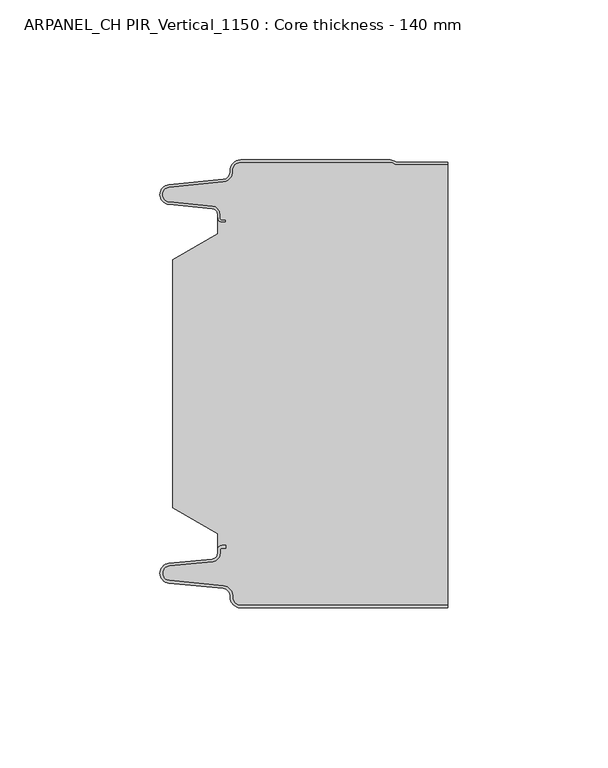
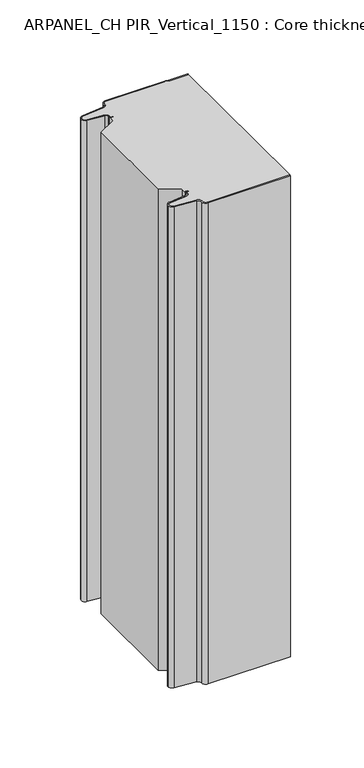
"""IFC4 building model written with IfcOpenShell, lengths in millimetres: plate geometry, ARPANEL_CH PIR_Vertical_1150 : Core thickness - 140 mm."""

from ifc_helpers import new_model, si_unit, frame, origin, place, context, project, spatial, polyline, circle_curve, source, transform, mapped, element, save
from ifc_brep_helpers import plane_surface, cylinder_surface, revolved_surface, advanced_brep


def arpanel_ch_pir_vertical_1150_core_thickness_140_mm_e1c93c82(model_context):
    return source(origin(), model_context, "Body", "AdvancedBrep", [
        advanced_brep(
        [(-19.8000003, -139.9996949, 0.0), (-22.9923632, -136.5787437, 0.0), (-25.2560431, -133.9171154, 0.0), (-42.2115315, -132.2546153, 0.0), (-44.9999998, -129.1776715, 0.0), (-42.2115315, -126.1007278, 0.0), (-28.6195785, -124.7680252, 0.0), (-26.9952277, -122.9766159, 0.0), (-26.9952277, -121.8996949, 0.0), (-25.5952277, -120.4996949, 0.0), (-24.4952277, -120.4996949, 0.0), (-24.4952277, -121.2996949, 0.0), (-25.5952277, -121.2996949, 0.0), (-26.1952277, -121.8996949, 0.0), (-26.1952277, -122.9766159, 0.0), (-28.5415122, -125.5642071, 0.0), (-42.1334652, -126.8969097, 0.0), (-44.1999997, -129.1776715, 0.0), (-42.1334652, -131.4584333, 0.0), (-25.1779767, -133.1209335, 0.0), (-22.2078761, -136.6330399, 0.0), (-19.8000003, -139.1996949, 0.0), (44.9999998, -139.2, 0.0), (44.9999998, -139.9996949, 0.0), (-19.8000003, -139.1996949, 400.0), (-22.1942724, -136.6339815, 400.0), (-25.1779767, -133.1209335, 400.0), (-42.1334652, -131.4584333, 400.0), (-44.1999997, -129.1776715, 400.0), (-42.1334652, -126.8969097, 400.0), (-28.5415122, -125.5642071, 400.0), (-26.1952277, -122.9766159, 400.0), (-26.1952277, -121.8996949, 400.0), (-25.5952277, -121.2996949, 400.0), (-24.4952277, -121.2996949, 400.0), (-24.4952277, -120.4996949, 400.0), (-25.5952277, -120.4996949, 400.0), (-26.9952277, -121.8996949, 400.0), (-26.9952277, -122.9766159, 400.0), (-28.6195785, -124.7680252, 400.0), (-42.2115315, -126.1007278, 400.0), (-44.9999998, -129.1776715, 400.0), (-42.2115315, -132.2546153, 400.0), (-25.2560431, -133.9171154, 400.0), (-23.0059668, -136.5778021, 400.0), (-19.8000003, -139.9996949, 400.0), (44.9999998, -139.9996949, 400.0), (44.9999998, -139.2, 400.0)],
        [
            (0, 1, circle_curve(frame((-19.8000003, -136.7996949, 0.0), z_axis=(0.0, 0.0, -1.0), x_axis=(1.0, 0.0, 0.0)), 3.2)),
            (1, 2, circle_curve(frame((-25.5000003, -136.4051839, 0.0), z_axis=(0.0, 0.0, 1.0), x_axis=(1.0, 0.0, 0.0)), 2.5)),
            (2, 3),
            (3, 4, circle_curve(frame((-41.9100003, -129.1793626, 0.0), z_axis=(0.0, 0.0, -1.0), x_axis=(1.0, 0.0, 0.0)), 3.09)),
            (4, 5, circle_curve(frame((-41.9100003, -129.1759805, 0.0), z_axis=(0.0, 0.0, -1.0), x_axis=(1.0, 0.0, 0.0)), 3.09)),
            (5, 6),
            (6, 7, circle_curve(frame((-28.7952277, -122.9766159, 0.0), z_axis=(0.0, 0.0, 1.0), x_axis=(1.0, 0.0, 0.0)), 1.8)),
            (7, 8),
            (8, 9, circle_curve(frame((-25.5952277, -121.8996949, 0.0), z_axis=(0.0, 0.0, -1.0), x_axis=(1.0, 0.0, 0.0)), 1.4)),
            (9, 10),
            (10, 11),
            (11, 12),
            (12, 13, circle_curve(frame((-25.5952277, -121.8996949, 0.0), z_axis=(0.0, 0.0, 1.0), x_axis=(1.0, 0.0, 0.0)), 0.6)),
            (13, 14),
            (14, 15, circle_curve(frame((-28.7952277, -122.9766159, 0.0), z_axis=(0.0, 0.0, -1.0), x_axis=(1.0, 0.0, 0.0)), 2.6)),
            (15, 16),
            (16, 17, circle_curve(frame((-41.9100003, -129.1759805, 0.0), z_axis=(0.0, 0.0, 1.0), x_axis=(1.0, 0.0, 0.0)), 2.29)),
            (17, 18, circle_curve(frame((-41.9100003, -129.1793626, 0.0), z_axis=(0.0, 0.0, 1.0), x_axis=(1.0, 0.0, 0.0)), 2.29)),
            (18, 19),
            (19, 20, circle_curve(frame((-25.5000003, -136.4051839, 0.0), z_axis=(0.0, 0.0, -1.0), x_axis=(1.0, 0.0, 0.0)), 3.3)),
            (20, 21, circle_curve(frame((-19.8000003, -136.7996949, 0.0), z_axis=(0.0, 0.0, 1.0), x_axis=(1.0, 0.0, 0.0)), 2.4)),
            (21, 22),
            (22, 23),
            (23, 0),
            (24, 25, circle_curve(frame((-19.8000003, -136.7996949, 400.0), z_axis=(0.0, 0.0, -1.0), x_axis=(1.0, 0.0, 0.0)), 2.4)),
            (25, 26, circle_curve(frame((-25.5000003, -136.4051839, 400.0), z_axis=(0.0, 0.0, 1.0), x_axis=(1.0, 0.0, 0.0)), 3.3)),
            (26, 27),
            (27, 28, circle_curve(frame((-41.9100003, -129.1793626, 400.0), z_axis=(0.0, 0.0, -1.0), x_axis=(1.0, 0.0, 0.0)), 2.29)),
            (28, 29, circle_curve(frame((-41.9100003, -129.1759805, 400.0), z_axis=(0.0, 0.0, -1.0), x_axis=(1.0, 0.0, 0.0)), 2.29)),
            (29, 30),
            (30, 31, circle_curve(frame((-28.7952277, -122.9766159, 400.0), z_axis=(0.0, 0.0, 1.0), x_axis=(1.0, 0.0, 0.0)), 2.6)),
            (31, 32),
            (32, 33, circle_curve(frame((-25.5952277, -121.8996949, 400.0), z_axis=(0.0, 0.0, -1.0), x_axis=(1.0, 0.0, 0.0)), 0.6)),
            (33, 34),
            (34, 35),
            (35, 36),
            (36, 37, circle_curve(frame((-25.5952277, -121.8996949, 400.0), z_axis=(0.0, 0.0, 1.0), x_axis=(1.0, 0.0, 0.0)), 1.4)),
            (37, 38),
            (38, 39, circle_curve(frame((-28.7952277, -122.9766159, 400.0), z_axis=(0.0, 0.0, -1.0), x_axis=(1.0, 0.0, 0.0)), 1.8)),
            (39, 40),
            (40, 41, circle_curve(frame((-41.9100003, -129.1759805, 400.0), z_axis=(0.0, 0.0, 1.0), x_axis=(1.0, 0.0, 0.0)), 3.09)),
            (41, 42, circle_curve(frame((-41.9100003, -129.1793626, 400.0), z_axis=(0.0, 0.0, 1.0), x_axis=(1.0, 0.0, 0.0)), 3.09)),
            (42, 43),
            (43, 44, circle_curve(frame((-25.5000003, -136.4051839, 400.0), z_axis=(0.0, 0.0, -1.0), x_axis=(1.0, 0.0, 0.0)), 2.5)),
            (44, 45, circle_curve(frame((-19.8000003, -136.7996949, 400.0), z_axis=(0.0, 0.0, 1.0), x_axis=(1.0, 0.0, 0.0)), 3.2)),
            (45, 46),
            (46, 47),
            (47, 24),
            (21, 24),
            (47, 22),
            (20, 25),
            (19, 26),
            (18, 27),
            (17, 28),
            (16, 29),
            (15, 30),
            (14, 31),
            (13, 32),
            (12, 33),
            (11, 34),
            (10, 35),
            (9, 36),
            (8, 37),
            (7, 38),
            (6, 39),
            (5, 40),
            (4, 41),
            (3, 42),
            (2, 43),
            (1, 44),
            (0, 45),
            (23, 46),
        ],
        [
            plane_surface(frame((-44.9999998, -140.0, 0.0), z_axis=(0.0, 0.0, -1.0), x_axis=(0.0, 1.0, 0.0))),
            plane_surface(frame((-44.9999998, -140.0, 400.0), z_axis=(0.0, 0.0, 1.0), x_axis=(0.0, 1.0, 0.0))),
            plane_surface(frame((-19.8000003, -139.2, 0.0), z_axis=(0.0, 1.0, 0.0), x_axis=(0.0, 0.0, 1.0))),
            revolved_surface(polyline([(-17.400000300000002, -136.7996949, 400.0), (-17.400000300000002, -136.7996949, 0.0)]), (-19.8000003, -136.7996949, 0.0), (0.0, 0.0, 1.0)),
            cylinder_surface(frame((-25.5000003, -136.4051839, 0.0), z_axis=(0.0, 0.0, -1.0), x_axis=(1.0, 0.0, 0.0)), 3.3),
            plane_surface(frame((-42.1334652, -131.4584333, 0.0), z_axis=(0.09758289975914758, 0.9952273999818314, 0.0), x_axis=(0.0, 0.0, 1.0))),
            revolved_surface(polyline([(-39.6200003, -129.1793626, 400.0), (-39.6200003, -129.1793626, 0.0)]), (-41.9100003, -129.1793626, 0.0), (0.0, 0.0, 1.0)),
            revolved_surface(polyline([(-39.6200003, -129.1759805, 400.0), (-39.6200003, -129.1759805, 0.0)]), (-41.9100003, -129.1759805, 0.0), (0.0, 0.0, 1.0)),
            plane_surface(frame((-28.5415122, -125.5642071, 0.0), z_axis=(0.09758289975914383, -0.9952273999818317, 0.0), x_axis=(0.0, 0.0, 1.0))),
            cylinder_surface(frame((-28.7952277, -122.9766159, 0.0), z_axis=(0.0, 0.0, -1.0), x_axis=(1.0, 0.0, 0.0)), 2.6),
            plane_surface(frame((-26.1952277, -121.8996949, 0.0), z_axis=(1.0, 0.0, 0.0), x_axis=(0.0, 0.0, 1.0))),
            revolved_surface(polyline([(-24.995227699999997, -121.8996949, 400.0), (-24.995227699999997, -121.8996949, 0.0)]), (-25.5952277, -121.8996949, 0.0), (0.0, 0.0, 1.0)),
            plane_surface(frame((-24.4952277, -121.2996949, 0.0), z_axis=(0.0, -1.0, 0.0), x_axis=(0.0, 0.0, 1.0))),
            plane_surface(frame((-24.4952277, -120.4996949, 0.0), z_axis=(1.0, 0.0, 0.0), x_axis=(0.0, 0.0, 1.0))),
            plane_surface(frame((-25.5952277, -120.4996949, 0.0), z_axis=(0.0, 1.0, 0.0), x_axis=(0.0, 0.0, 1.0))),
            cylinder_surface(frame((-25.5952277, -121.8996949, 0.0), z_axis=(0.0, 0.0, -1.0), x_axis=(1.0, 0.0, 0.0)), 1.4),
            plane_surface(frame((-26.9952277, -122.9766159, 0.0), z_axis=(-1.0, 0.0, 0.0), x_axis=(0.0, 0.0, 1.0))),
            revolved_surface(polyline([(-26.9952277, -122.9766159, 400.0), (-26.9952277, -122.9766159, 0.0)]), (-28.7952277, -122.9766159, 0.0), (0.0, 0.0, 1.0)),
            plane_surface(frame((-42.2115315, -126.1007278, 0.0), z_axis=(-0.09758289975914387, 0.9952273999818317, 0.0), x_axis=(0.0, 0.0, 1.0))),
            cylinder_surface(frame((-41.9100003, -129.1759805, 0.0), z_axis=(0.0, 0.0, -1.0), x_axis=(1.0, 0.0, 0.0)), 3.09),
            cylinder_surface(frame((-41.9100003, -129.1793626, 0.0), z_axis=(0.0, 0.0, -1.0), x_axis=(1.0, 0.0, 0.0)), 3.09),
            plane_surface(frame((-25.2560431, -133.9171154, 0.0), z_axis=(-0.09758289975914762, -0.9952273999818314, 0.0), x_axis=(0.0, 0.0, 1.0))),
            revolved_surface(polyline([(-23.0000003, -136.4051839, 400.0), (-23.0000003, -136.4051839, 0.0)]), (-25.5000003, -136.4051839, 0.0), (0.0, 0.0, 1.0)),
            cylinder_surface(frame((-19.8000003, -136.7996949, 0.0), z_axis=(0.0, 0.0, -1.0), x_axis=(1.0, 0.0, 0.0)), 3.2),
            plane_surface(frame((1121.009932, -139.9996949, 0.0), z_axis=(0.0, -1.0, 0.0), x_axis=(0.0, 0.0, 1.0))),
            plane_surface(frame((44.9999998, 180.0, 400.0), z_axis=(1.0, 0.0, 0.0), x_axis=(0.0, 0.0, -1.0))),
        ],
        [
            (0, [[1, 2, 3, 4, 5, 6, 7, 8, 9, 10, 11, 12, 13, 14, 15, 16, 17, 18, 19, 20, 21, 22, 23, 24]]),
            (1, [[25, 26, 27, 28, 29, 30, 31, 32, 33, 34, 35, 36, 37, 38, 39, 40, 41, 42, 43, 44, 45, 46, 47, 48]]),
            (2, [[49, -48, 50, -22]]),
            (3, [[-21, 51, -25, -49]]),
            (4, [[-20, 52, -26, -51]]),
            (5, [[-19, 53, -27, -52]]),
            (6, [[-18, 54, -28, -53]]),
            (7, [[-17, 55, -29, -54]]),
            (8, [[-16, 56, -30, -55]]),
            (9, [[-15, 57, -31, -56]]),
            (10, [[-14, 58, -32, -57]]),
            (11, [[-13, 59, -33, -58]]),
            (12, [[-12, 60, -34, -59]]),
            (13, [[-11, 61, -35, -60]]),
            (14, [[-10, 62, -36, -61]]),
            (15, [[-9, 63, -37, -62]]),
            (16, [[-8, 64, -38, -63]]),
            (17, [[-7, 65, -39, -64]]),
            (18, [[-6, 66, -40, -65]]),
            (19, [[-5, 67, -41, -66]]),
            (20, [[-4, 68, -42, -67]]),
            (21, [[-3, 69, -43, -68]]),
            (22, [[-2, 70, -44, -69]]),
            (23, [[-1, 71, -45, -70]]),
            (24, [[-71, -24, 72, -46]]),
            (25, [[-23, -50, -47, -72]]),
        ],
    ),
        advanced_brep(
        [(-26.9952277, -23.1062917, 400.0), (-41.0446509, -31.1628062, 400.0), (-41.0446509, -108.7531937, 400.0), (-26.9952277, -116.8937083, 400.0), (-26.9952277, -120.4996949, 400.0), (-26.9952277, -121.8996949, 400.0), (-25.5952277, -120.4996949, 400.0), (-24.4952277, -120.4996949, 400.0), (-24.4952277, -121.2996949, 400.0), (-25.5952277, -121.2996949, 400.0), (-26.1952277, -121.8996949, 400.0), (-26.1952277, -122.9766159, 400.0), (-28.5415122, -125.5642071, 400.0), (-42.1334652, -126.8969097, 400.0), (-44.1999997, -129.1776715, 400.0), (-42.1334652, -131.4584333, 400.0), (-25.1779767, -133.1209335, 400.0), (-22.2078761, -136.6330399, 400.0), (-19.8000003, -139.1996949, 400.0), (44.9999998, -139.2, 400.0), (44.9999998, -1.5003051, 400.0), (29.4172165, -1.5003051, 400.0), (27.9978051, -1.0971009, 400.0), (26.9454197, -0.8, 400.0), (-19.8000003, -0.8, 400.0), (-22.1942724, -3.3660185, 400.0), (-25.1779767, -6.8790665, 400.0), (-42.1334652, -8.5415667, 400.0), (-44.1999997, -10.8223285, 400.0), (-42.1334652, -13.1030903, 400.0), (-28.5415122, -14.4357929, 400.0), (-26.1952277, -17.0233841, 400.0), (-26.1952277, -18.1003051, 400.0), (-25.5952277, -18.7003051, 400.0), (-24.4952277, -18.7003051, 400.0), (-24.4952277, -19.5003051, 400.0), (-25.5952277, -19.5003051, 400.0), (-26.9952277, -18.1003051, 400.0), (-26.9952277, -19.5003051, 400.0), (-26.9952277, -116.8937083, 0.0), (-41.0446509, -108.7531937, 0.0), (-41.0446509, -31.1628062, 0.0), (-26.9952277, -23.1062917, 0.0), (-26.9952277, -19.5003051, 0.0), (-26.9952277, -18.1003051, 0.0), (-25.5952277, -19.5003051, 0.0), (-24.4952277, -19.5003051, 0.0), (-24.4952277, -18.7003051, 0.0), (-25.5952277, -18.7003051, 0.0), (-26.1952277, -18.1003051, 0.0), (-26.1952277, -17.0233841, 0.0), (-28.5415122, -14.4357929, 0.0), (-42.1334652, -13.1030903, 0.0), (-44.1999997, -10.8223285, 0.0), (-42.1334652, -8.5415667, 0.0), (-25.1779767, -6.8790665, 0.0), (-22.2078761, -3.3669601, 0.0), (-19.8000003, -0.8003051, 0.0), (26.9454197, -0.8, 0.0), (27.9968355, -1.0986697, 0.0), (29.4172165, -1.5003051, 0.0), (44.9999998, -1.5003051, 0.0), (44.9999998, -139.2, 0.0), (-19.8000003, -139.2, 0.0), (-22.1942724, -136.6339815, 0.0), (-25.1779767, -133.1209335, 0.0), (-42.1334652, -131.4584333, 0.0), (-44.1999997, -129.1776715, 0.0), (-42.1334652, -126.8969097, 0.0), (-28.5415122, -125.5642071, 0.0), (-26.1952277, -122.9766159, 0.0), (-26.1952277, -121.8996949, 0.0), (-25.5952277, -121.2996949, 0.0), (-24.4952277, -121.2996949, 0.0), (-24.4952277, -120.4996949, 0.0), (-25.5952277, -120.4996949, 0.0), (-26.9952277, -121.8996949, 0.0), (-26.9952277, -120.4996949, 0.0)],
        [
            (0, 1),
            (1, 2),
            (2, 3),
            (3, 4),
            (4, 5),
            (5, 6, circle_curve(frame((-25.5952277, -121.8996949, 400.0), z_axis=(0.0, 0.0, -1.0), x_axis=(1.0, 0.0, 0.0)), 1.4)),
            (6, 7),
            (7, 8),
            (8, 9),
            (9, 10, circle_curve(frame((-25.5952277, -121.8996949, 400.0), z_axis=(0.0, 0.0, 1.0), x_axis=(1.0, 0.0, 0.0)), 0.6)),
            (10, 11),
            (11, 12, circle_curve(frame((-28.7952277, -122.9766159, 400.0), z_axis=(0.0, 0.0, -1.0), x_axis=(1.0, 0.0, 0.0)), 2.6)),
            (12, 13),
            (13, 14, circle_curve(frame((-41.9100003, -129.1759805, 400.0), z_axis=(0.0, 0.0, 1.0), x_axis=(1.0, 0.0, 0.0)), 2.29)),
            (14, 15, circle_curve(frame((-41.9100003, -129.1793626, 400.0), z_axis=(0.0, 0.0, 1.0), x_axis=(1.0, 0.0, 0.0)), 2.29)),
            (15, 16),
            (16, 17, circle_curve(frame((-25.5000003, -136.4051839, 400.0), z_axis=(0.0, 0.0, -1.0), x_axis=(1.0, 0.0, 0.0)), 3.3)),
            (17, 18, circle_curve(frame((-19.8000003, -136.7996949, 400.0), z_axis=(0.0, 0.0, 1.0), x_axis=(1.0, 0.0, 0.0)), 2.4)),
            (18, 19),
            (19, 20),
            (20, 21),
            (21, 22, circle_curve(frame((29.4172165, 1.1996949, 400.0), z_axis=(0.0, 0.0, -1.0), x_axis=(1.0, 0.0, 0.0)), 2.7)),
            (22, 23, circle_curve(frame((26.9454197, -2.8, 400.0), z_axis=(0.0, 0.0, 1.0), x_axis=(1.0, 0.0, 0.0)), 2.0)),
            (23, 24),
            (24, 25, circle_curve(frame((-19.8000003, -3.2003051, 400.0), z_axis=(0.0, 0.0, 1.0), x_axis=(1.0, 0.0, 0.0)), 2.4)),
            (25, 26, circle_curve(frame((-25.5000003, -3.5948161, 400.0), z_axis=(0.0, 0.0, -1.0), x_axis=(1.0, 0.0, 0.0)), 3.3)),
            (26, 27),
            (27, 28, circle_curve(frame((-41.9100003, -10.8206374, 400.0), z_axis=(0.0, 0.0, 1.0), x_axis=(1.0, 0.0, 0.0)), 2.29)),
            (28, 29, circle_curve(frame((-41.9100003, -10.8240195, 400.0), z_axis=(0.0, 0.0, 1.0), x_axis=(1.0, 0.0, 0.0)), 2.29)),
            (29, 30),
            (30, 31, circle_curve(frame((-28.7952277, -17.0233841, 400.0), z_axis=(0.0, 0.0, -1.0), x_axis=(1.0, 0.0, 0.0)), 2.6)),
            (31, 32),
            (32, 33, circle_curve(frame((-25.5952277, -18.1003051, 400.0), z_axis=(0.0, 0.0, 1.0), x_axis=(1.0, 0.0, 0.0)), 0.6)),
            (33, 34),
            (34, 35),
            (35, 36),
            (36, 37, circle_curve(frame((-25.5952277, -18.1003051, 400.0), z_axis=(0.0, 0.0, -1.0), x_axis=(1.0, 0.0, 0.0)), 1.4)),
            (37, 38),
            (38, 0),
            (39, 40),
            (40, 41),
            (41, 42),
            (42, 43),
            (43, 44),
            (44, 45, circle_curve(frame((-25.5952277, -18.1003051, 0.0), z_axis=(0.0, 0.0, 1.0), x_axis=(1.0, 0.0, 0.0)), 1.4)),
            (45, 46),
            (46, 47),
            (47, 48),
            (48, 49, circle_curve(frame((-25.5952277, -18.1003051, 0.0), z_axis=(0.0, 0.0, -1.0), x_axis=(1.0, 0.0, 0.0)), 0.6)),
            (49, 50),
            (50, 51, circle_curve(frame((-28.7952277, -17.0233841, 0.0), z_axis=(0.0, 0.0, 1.0), x_axis=(1.0, 0.0, 0.0)), 2.6)),
            (51, 52),
            (52, 53, circle_curve(frame((-41.9100003, -10.8240195, 0.0), z_axis=(0.0, 0.0, -1.0), x_axis=(1.0, 0.0, 0.0)), 2.29)),
            (53, 54, circle_curve(frame((-41.9100003, -10.8206374, 0.0), z_axis=(0.0, 0.0, -1.0), x_axis=(1.0, 0.0, 0.0)), 2.29)),
            (54, 55),
            (55, 56, circle_curve(frame((-25.5000003, -3.5948161, 0.0), z_axis=(0.0, 0.0, 1.0), x_axis=(1.0, 0.0, 0.0)), 3.3)),
            (56, 57, circle_curve(frame((-19.8000003, -3.2003051, 0.0), z_axis=(0.0, 0.0, -1.0), x_axis=(1.0, 0.0, 0.0)), 2.4)),
            (57, 58),
            (58, 59, circle_curve(frame((26.9454197, -2.8, 0.0), z_axis=(0.0, 0.0, -1.0), x_axis=(1.0, 0.0, 0.0)), 2.0)),
            (59, 60, circle_curve(frame((29.4172165, 1.1996949, 0.0), z_axis=(0.0, 0.0, 1.0), x_axis=(1.0, 0.0, 0.0)), 2.7)),
            (60, 61),
            (61, 62),
            (62, 63),
            (63, 64, circle_curve(frame((-19.8000003, -136.7996949, 0.0), z_axis=(0.0, 0.0, -1.0), x_axis=(1.0, 0.0, 0.0)), 2.4)),
            (64, 65, circle_curve(frame((-25.5000003, -136.4051839, 0.0), z_axis=(0.0, 0.0, 1.0), x_axis=(1.0, 0.0, 0.0)), 3.3)),
            (65, 66),
            (66, 67, circle_curve(frame((-41.9100003, -129.1793626, 0.0), z_axis=(0.0, 0.0, -1.0), x_axis=(1.0, 0.0, 0.0)), 2.29)),
            (67, 68, circle_curve(frame((-41.9100003, -129.1759805, 0.0), z_axis=(0.0, 0.0, -1.0), x_axis=(1.0, 0.0, 0.0)), 2.29)),
            (68, 69),
            (69, 70, circle_curve(frame((-28.7952277, -122.9766159, 0.0), z_axis=(0.0, 0.0, 1.0), x_axis=(1.0, 0.0, 0.0)), 2.6)),
            (70, 71),
            (71, 72, circle_curve(frame((-25.5952277, -121.8996949, 0.0), z_axis=(0.0, 0.0, -1.0), x_axis=(1.0, 0.0, 0.0)), 0.6)),
            (72, 73),
            (73, 74),
            (74, 75),
            (75, 76, circle_curve(frame((-25.5952277, -121.8996949, 0.0), z_axis=(0.0, 0.0, 1.0), x_axis=(1.0, 0.0, 0.0)), 1.4)),
            (76, 77),
            (77, 39),
            (42, 0),
            (37, 44),
            (1, 41),
            (40, 2),
            (39, 3),
            (76, 5),
            (18, 63),
            (62, 19),
            (17, 64),
            (16, 65),
            (15, 66),
            (14, 67),
            (13, 68),
            (12, 69),
            (11, 70),
            (10, 71),
            (9, 72),
            (8, 73),
            (7, 74),
            (6, 75),
            (57, 24),
            (23, 58),
            (22, 59),
            (21, 60),
            (20, 61),
            (36, 45),
            (35, 46),
            (34, 47),
            (33, 48),
            (32, 49),
            (31, 50),
            (30, 51),
            (29, 52),
            (28, 53),
            (27, 54),
            (26, 55),
            (25, 56),
        ],
        [
            plane_surface(frame((-44.9999998, 0.0, 400.0), z_axis=(0.0, 0.0, 1.0), x_axis=(0.0, -1.0, 0.0))),
            plane_surface(frame((-44.9999998, 0.0, 0.0), z_axis=(0.0, 0.0, -1.0), x_axis=(0.0, -1.0, 0.0))),
            plane_surface(frame((-26.9952277, -17.0229218, 400.0), z_axis=(-1.0, 0.0, 0.0), x_axis=(0.0, 0.0, -1.0))),
            plane_surface(frame((-41.0446509, -31.1628062, 400.0), z_axis=(-1.0, 0.0, 0.0), x_axis=(0.0, 0.0, -1.0))),
            plane_surface(frame((-26.9952277, -23.1062917, 400.0), z_axis=(-0.4974543664933155, 0.8674901459133322, 0.0), x_axis=(0.0, 0.0, -1.0))),
            plane_surface(frame((-41.0446509, -108.7531937, 400.0), z_axis=(-0.5013424225369615, -0.8652489672717159, 0.0), x_axis=(0.0, 0.0, -1.0))),
            plane_surface(frame((-26.9952277, -116.8937083, 400.0), z_axis=(-1.0, 0.0, 0.0), x_axis=(0.0, 0.0, -1.0))),
            plane_surface(frame((1121.009932, -139.2, 530.0), z_axis=(0.0, -1.0, 0.0), x_axis=(0.0, 0.0, -1.0))),
            cylinder_surface(frame((-19.8000003, -136.7996949, 530.0), z_axis=(0.0, 0.0, -1.0), x_axis=(1.0, 0.0, 0.0)), 2.4),
            revolved_surface(polyline([(-22.2000003, -136.4051839, 400.0), (-22.2000003, -136.4051839, 0.0)]), (-25.5000003, -136.4051839, 530.0), (0.0, 0.0, 1.0)),
            plane_surface(frame((-25.1779767, -133.1209335, 530.0), z_axis=(-0.09758289975914758, -0.9952273999818314, 0.0), x_axis=(0.0, 0.0, -1.0))),
            cylinder_surface(frame((-41.9100003, -129.1793626, 530.0), z_axis=(0.0, 0.0, -1.0), x_axis=(1.0, 0.0, 0.0)), 2.29),
            cylinder_surface(frame((-41.9100003, -129.1759805, 530.0), z_axis=(0.0, 0.0, -1.0), x_axis=(1.0, 0.0, 0.0)), 2.29),
            plane_surface(frame((-42.1334652, -126.8969097, 530.0), z_axis=(-0.09758289975914383, 0.9952273999818317, 0.0), x_axis=(0.0, 0.0, -1.0))),
            revolved_surface(polyline([(-26.1952277, -122.9766159, 400.0), (-26.1952277, -122.9766159, 0.0)]), (-28.7952277, -122.9766159, 530.0), (0.0, 0.0, 1.0)),
            plane_surface(frame((-26.1952277, -122.9766159, 530.0), z_axis=(-1.0, 0.0, 0.0), x_axis=(0.0, 0.0, -1.0))),
            cylinder_surface(frame((-25.5952277, -121.8996949, 530.0), z_axis=(0.0, 0.0, -1.0), x_axis=(1.0, 0.0, 0.0)), 0.6),
            plane_surface(frame((-25.5952277, -121.2996949, 530.0), z_axis=(0.0, 1.0, 0.0), x_axis=(0.0, 0.0, -1.0))),
            plane_surface(frame((-24.4952277, -121.2996949, 530.0), z_axis=(-1.0, 0.0, 0.0), x_axis=(0.0, 0.0, -1.0))),
            plane_surface(frame((-24.4952277, -120.4996949, 530.0), z_axis=(0.0, -1.0, 0.0), x_axis=(0.0, 0.0, -1.0))),
            revolved_surface(polyline([(-24.1952277, -121.8996949, 400.0), (-24.1952277, -121.8996949, 0.0)]), (-25.5952277, -121.8996949, 530.0), (0.0, 0.0, 1.0)),
            plane_surface(frame((-19.8000003, -0.8, 530.0), z_axis=(0.0, 1.0, 0.0), x_axis=(0.0, 0.0, -1.0))),
            cylinder_surface(frame((26.9454197, -2.8, 530.0), z_axis=(0.0, 0.0, -1.0), x_axis=(1.0, 0.0, 0.0)), 2.0),
            revolved_surface(polyline([(32.1172165, 1.1996949, 400.0), (32.1172165, 1.1996949, 0.0)]), (29.4172165, 1.1996949, 530.0), (0.0, 0.0, 1.0)),
            plane_surface(frame((29.4172165, -1.5003051, 530.0), z_axis=(0.0, 1.0, 0.0), x_axis=(0.0, 0.0, -1.0))),
            revolved_surface(polyline([(-24.1952277, -18.1003051, 400.0), (-24.1952277, -18.1003051, 0.0)]), (-25.5952277, -18.1003051, 530.0), (0.0, 0.0, 1.0)),
            plane_surface(frame((-25.5952277, -19.5003051, 530.0), z_axis=(0.0, 1.0, 0.0), x_axis=(0.0, 0.0, -1.0))),
            plane_surface(frame((-24.4952277, -19.5003051, 530.0), z_axis=(-1.0, 0.0, 0.0), x_axis=(0.0, 0.0, -1.0))),
            plane_surface(frame((-24.4952277, -18.7003051, 530.0), z_axis=(0.0, -1.0, 0.0), x_axis=(0.0, 0.0, -1.0))),
            cylinder_surface(frame((-25.5952277, -18.1003051, 530.0), z_axis=(0.0, 0.0, -1.0), x_axis=(1.0, 0.0, 0.0)), 0.6),
            plane_surface(frame((-26.1952277, -18.1003051, 530.0), z_axis=(-1.0, 0.0, 0.0), x_axis=(0.0, 0.0, -1.0))),
            revolved_surface(polyline([(-26.1952277, -17.0233841, 400.0), (-26.1952277, -17.0233841, 0.0)]), (-28.7952277, -17.0233841, 530.0), (0.0, 0.0, 1.0)),
            plane_surface(frame((-28.5415122, -14.4357929, 530.0), z_axis=(-0.09758289975914705, -0.9952273999818314, 0.0), x_axis=(0.0, 0.0, -1.0))),
            cylinder_surface(frame((-41.9100003, -10.8240195, 530.0), z_axis=(0.0, 0.0, -1.0), x_axis=(1.0, 0.0, 0.0)), 2.29),
            cylinder_surface(frame((-41.9100003, -10.8206374, 530.0), z_axis=(0.0, 0.0, -1.0), x_axis=(1.0, 0.0, 0.0)), 2.29),
            plane_surface(frame((-42.1334652, -8.5415667, 530.0), z_axis=(-0.09758289975914436, 0.9952273999818317, 0.0), x_axis=(0.0, 0.0, -1.0))),
            revolved_surface(polyline([(-22.2000003, -3.5948161, 400.0), (-22.2000003, -3.5948161, 0.0)]), (-25.5000003, -3.5948161, 530.0), (0.0, 0.0, 1.0)),
            cylinder_surface(frame((-19.8000003, -3.2003051, 530.0), z_axis=(0.0, 0.0, -1.0), x_axis=(1.0, 0.0, 0.0)), 2.4),
            plane_surface(frame((44.9999998, 180.0, 400.0), z_axis=(1.0, 0.0, 0.0), x_axis=(0.0, 0.0, -1.0))),
        ],
        [
            (0, [[1, 2, 3, 4, 5, 6, 7, 8, 9, 10, 11, 12, 13, 14, 15, 16, 17, 18, 19, 20, 21, 22, 23, 24, 25, 26, 27, 28, 29, 30, 31, 32, 33, 34, 35, 36, 37, 38, 39]]),
            (1, [[40, 41, 42, 43, 44, 45, 46, 47, 48, 49, 50, 51, 52, 53, 54, 55, 56, 57, 58, 59, 60, 61, 62, 63, 64, 65, 66, 67, 68, 69, 70, 71, 72, 73, 74, 75, 76, 77, 78]]),
            (2, [[79, -39, -38, 80, -44, -43]]),
            (3, [[-2, 81, -41, 82]]),
            (4, [[-1, -79, -42, -81]]),
            (5, [[-3, -82, -40, 83]]),
            (6, [[-83, -78, -77, 84, -5, -4]]),
            (7, [[85, -63, 86, -19]]),
            (8, [[-85, -18, 87, -64]]),
            (9, [[-87, -17, 88, -65]]),
            (10, [[-88, -16, 89, -66]]),
            (11, [[-89, -15, 90, -67]]),
            (12, [[-90, -14, 91, -68]]),
            (13, [[-91, -13, 92, -69]]),
            (14, [[-92, -12, 93, -70]]),
            (15, [[-93, -11, 94, -71]]),
            (16, [[-94, -10, 95, -72]]),
            (17, [[-95, -9, 96, -73]]),
            (18, [[-96, -8, 97, -74]]),
            (19, [[-97, -7, 98, -75]]),
            (20, [[-98, -6, -84, -76]]),
            (21, [[99, -24, 100, -58]]),
            (22, [[-100, -23, 101, -59]]),
            (23, [[-101, -22, 102, -60]]),
            (24, [[-102, -21, 103, -61]]),
            (25, [[104, -45, -80, -37]]),
            (26, [[-104, -36, 105, -46]]),
            (27, [[-105, -35, 106, -47]]),
            (28, [[-106, -34, 107, -48]]),
            (29, [[-107, -33, 108, -49]]),
            (30, [[-108, -32, 109, -50]]),
            (31, [[-109, -31, 110, -51]]),
            (32, [[-110, -30, 111, -52]]),
            (33, [[-111, -29, 112, -53]]),
            (34, [[-112, -28, 113, -54]]),
            (35, [[-113, -27, 114, -55]]),
            (36, [[-114, -26, 115, -56]]),
            (37, [[-99, -57, -115, -25]]),
            (38, [[-86, -62, -103, -20]]),
        ],
    ),
        advanced_brep(
        [(27.9968355, -1.0986697, 0.0), (26.9454197, -0.8, 0.0), (-19.8000003, -0.8, 0.0), (-22.1942724, -3.3660185, 0.0), (-25.1779767, -6.8790665, 0.0), (-42.1334652, -8.5415667, 0.0), (-44.1999997, -10.8223285, 0.0), (-42.1334652, -13.1030903, 0.0), (-28.5415122, -14.4357929, 0.0), (-26.1952277, -17.0233841, 0.0), (-26.1952277, -18.1003051, 0.0), (-25.5952277, -18.7003051, 0.0), (-24.4952277, -18.7003051, 0.0), (-24.4952277, -19.5003051, 0.0), (-25.5952277, -19.5003051, 0.0), (-26.9952277, -18.1003051, 0.0), (-26.9952277, -17.0233841, 0.0), (-28.6195785, -15.2319748, 0.0), (-42.2115315, -13.8992722, 0.0), (-44.9999998, -10.8223285, 0.0), (-42.2115315, -7.7453847, 0.0), (-25.2560431, -6.0828846, 0.0), (-23.0059668, -3.4221979, 0.0), (-19.8000003, -0.0003051, 0.0), (26.9454197, -0.0003051, 0.0), (28.3647528, -0.4034608, 0.0), (29.4172165, -0.7003051, 0.0), (44.9999998, -0.7003051, 0.0), (44.9999998, -1.5003051, 0.0), (29.4172165, -1.5003051, 0.0), (27.9978051, -1.0971009, 400.0), (29.4172165, -1.5003051, 400.0), (44.9999998, -1.5003051, 400.0), (44.9999998, -0.7003051, 400.0), (29.4172165, -0.7003051, 400.0), (28.3658586, -0.4016712, 400.0), (26.9454197, -0.0003051, 400.0), (-19.8000003, -0.0003051, 400.0), (-22.9923632, -3.4212563, 400.0), (-25.2560431, -6.0828846, 400.0), (-42.2115315, -7.7453847, 400.0), (-44.9999998, -10.8223285, 400.0), (-42.2115315, -13.8992722, 400.0), (-28.6195785, -15.2319748, 400.0), (-26.9952277, -17.0233841, 400.0), (-26.9952277, -18.1003051, 400.0), (-25.5952277, -19.5003051, 400.0), (-24.4952277, -19.5003051, 400.0), (-24.4952277, -18.7003051, 400.0), (-25.5952277, -18.7003051, 400.0), (-26.1952277, -18.1003051, 400.0), (-26.1952277, -17.0233841, 400.0), (-28.5415122, -14.4357929, 400.0), (-42.1334652, -13.1030903, 400.0), (-44.1999997, -10.8223285, 400.0), (-42.1334652, -8.5415667, 400.0), (-25.1779767, -6.8790665, 400.0), (-22.2078761, -3.3669601, 400.0), (-19.8000003, -0.8003051, 400.0), (26.9454197, -0.8, 400.0)],
        [
            (0, 1, circle_curve(frame((26.9454197, -2.8, 0.0), z_axis=(0.0, 0.0, 1.0), x_axis=(1.0, 0.0, 0.0)), 2.0)),
            (1, 2),
            (2, 3, circle_curve(frame((-19.8000003, -3.2003051, 0.0), z_axis=(0.0, 0.0, 1.0), x_axis=(1.0, 0.0, 0.0)), 2.4)),
            (3, 4, circle_curve(frame((-25.5000003, -3.5948161, 0.0), z_axis=(0.0, 0.0, -1.0), x_axis=(1.0, 0.0, 0.0)), 3.3)),
            (4, 5),
            (5, 6, circle_curve(frame((-41.9100003, -10.8206374, 0.0), z_axis=(0.0, 0.0, 1.0), x_axis=(1.0, 0.0, 0.0)), 2.29)),
            (6, 7, circle_curve(frame((-41.9100003, -10.8240195, 0.0), z_axis=(0.0, 0.0, 1.0), x_axis=(1.0, 0.0, 0.0)), 2.29)),
            (7, 8),
            (8, 9, circle_curve(frame((-28.7952277, -17.0233841, 0.0), z_axis=(0.0, 0.0, -1.0), x_axis=(1.0, 0.0, 0.0)), 2.6)),
            (9, 10),
            (10, 11, circle_curve(frame((-25.5952277, -18.1003051, 0.0), z_axis=(0.0, 0.0, 1.0), x_axis=(1.0, 0.0, 0.0)), 0.6)),
            (11, 12),
            (12, 13),
            (13, 14),
            (14, 15, circle_curve(frame((-25.5952277, -18.1003051, 0.0), z_axis=(0.0, 0.0, -1.0), x_axis=(1.0, 0.0, 0.0)), 1.4)),
            (15, 16),
            (16, 17, circle_curve(frame((-28.7952277, -17.0233841, 0.0), z_axis=(0.0, 0.0, 1.0), x_axis=(1.0, 0.0, 0.0)), 1.8)),
            (17, 18),
            (18, 19, circle_curve(frame((-41.9100003, -10.8240195, 0.0), z_axis=(0.0, 0.0, -1.0), x_axis=(1.0, 0.0, 0.0)), 3.09)),
            (19, 20, circle_curve(frame((-41.9100003, -10.8206374, 0.0), z_axis=(0.0, 0.0, -1.0), x_axis=(1.0, 0.0, 0.0)), 3.09)),
            (20, 21),
            (21, 22, circle_curve(frame((-25.5000003, -3.5948161, 0.0), z_axis=(0.0, 0.0, 1.0), x_axis=(1.0, 0.0, 0.0)), 2.5)),
            (22, 23, circle_curve(frame((-19.8000003, -3.2003051, 0.0), z_axis=(0.0, 0.0, -1.0), x_axis=(1.0, 0.0, 0.0)), 3.2)),
            (23, 24),
            (24, 25, circle_curve(frame((26.9454197, -2.7003051, 0.0), z_axis=(0.0, 0.0, -1.0), x_axis=(1.0, 0.0, 0.0)), 2.7)),
            (25, 26, circle_curve(frame((29.4172165, 1.2996949, 0.0), z_axis=(0.0, 0.0, 1.0), x_axis=(1.0, 0.0, 0.0)), 2.0)),
            (26, 27),
            (27, 28),
            (28, 29),
            (29, 0, circle_curve(frame((29.4172165, 1.1996949, 0.0), z_axis=(0.0, 0.0, -1.0), x_axis=(1.0, 0.0, 0.0)), 2.7)),
            (30, 31, circle_curve(frame((29.4172165, 1.1996949, 400.0), z_axis=(0.0, 0.0, 1.0), x_axis=(1.0, 0.0, 0.0)), 2.7)),
            (31, 32),
            (32, 33),
            (33, 34),
            (34, 35, circle_curve(frame((29.4172165, 1.2996949, 400.0), z_axis=(0.0, 0.0, -1.0), x_axis=(1.0, 0.0, 0.0)), 2.0)),
            (35, 36, circle_curve(frame((26.9454197, -2.7003051, 400.0), z_axis=(0.0, 0.0, 1.0), x_axis=(1.0, 0.0, 0.0)), 2.7)),
            (36, 37),
            (37, 38, circle_curve(frame((-19.8000003, -3.2003051, 400.0), z_axis=(0.0, 0.0, 1.0), x_axis=(1.0, 0.0, 0.0)), 3.2)),
            (38, 39, circle_curve(frame((-25.5000003, -3.5948161, 400.0), z_axis=(0.0, 0.0, -1.0), x_axis=(1.0, 0.0, 0.0)), 2.5)),
            (39, 40),
            (40, 41, circle_curve(frame((-41.9100003, -10.8206374, 400.0), z_axis=(0.0, 0.0, 1.0), x_axis=(1.0, 0.0, 0.0)), 3.09)),
            (41, 42, circle_curve(frame((-41.9100003, -10.8240195, 400.0), z_axis=(0.0, 0.0, 1.0), x_axis=(1.0, 0.0, 0.0)), 3.09)),
            (42, 43),
            (43, 44, circle_curve(frame((-28.7952277, -17.0233841, 400.0), z_axis=(0.0, 0.0, -1.0), x_axis=(1.0, 0.0, 0.0)), 1.8)),
            (44, 45),
            (45, 46, circle_curve(frame((-25.5952277, -18.1003051, 400.0), z_axis=(0.0, 0.0, 1.0), x_axis=(1.0, 0.0, 0.0)), 1.4)),
            (46, 47),
            (47, 48),
            (48, 49),
            (49, 50, circle_curve(frame((-25.5952277, -18.1003051, 400.0), z_axis=(0.0, 0.0, -1.0), x_axis=(1.0, 0.0, 0.0)), 0.6)),
            (50, 51),
            (51, 52, circle_curve(frame((-28.7952277, -17.0233841, 400.0), z_axis=(0.0, 0.0, 1.0), x_axis=(1.0, 0.0, 0.0)), 2.6)),
            (52, 53),
            (53, 54, circle_curve(frame((-41.9100003, -10.8240195, 400.0), z_axis=(0.0, 0.0, -1.0), x_axis=(1.0, 0.0, 0.0)), 2.29)),
            (54, 55, circle_curve(frame((-41.9100003, -10.8206374, 400.0), z_axis=(0.0, 0.0, -1.0), x_axis=(1.0, 0.0, 0.0)), 2.29)),
            (55, 56),
            (56, 57, circle_curve(frame((-25.5000003, -3.5948161, 400.0), z_axis=(0.0, 0.0, 1.0), x_axis=(1.0, 0.0, 0.0)), 3.3)),
            (57, 58, circle_curve(frame((-19.8000003, -3.2003051, 400.0), z_axis=(0.0, 0.0, -1.0), x_axis=(1.0, 0.0, 0.0)), 2.4)),
            (58, 59),
            (59, 30, circle_curve(frame((26.9454197, -2.8, 400.0), z_axis=(0.0, 0.0, -1.0), x_axis=(1.0, 0.0, 0.0)), 2.0)),
            (0, 30),
            (59, 1),
            (58, 2),
            (57, 3),
            (56, 4),
            (55, 5),
            (54, 6),
            (53, 7),
            (52, 8),
            (51, 9),
            (50, 10),
            (49, 11),
            (48, 12),
            (47, 13),
            (46, 14),
            (45, 15),
            (44, 16),
            (43, 17),
            (42, 18),
            (41, 19),
            (40, 20),
            (39, 21),
            (38, 22),
            (37, 23),
            (36, 24),
            (35, 25),
            (34, 26),
            (33, 27),
            (31, 29),
            (28, 32),
        ],
        [
            plane_surface(frame((-44.9999998, 0.0, 0.0), z_axis=(0.0, 0.0, -1.0), x_axis=(0.0, -1.0, 0.0))),
            plane_surface(frame((-44.9999998, 0.0, 400.0), z_axis=(0.0, 0.0, 1.0), x_axis=(0.0, -1.0, 0.0))),
            revolved_surface(polyline([(28.9454197, -2.8, 400.0), (28.9454197, -2.8, 0.0)]), (26.9454197, -2.8, 0.0), (0.0, 0.0, 1.0)),
            plane_surface(frame((26.9454197, -0.8, 0.0), z_axis=(0.0, -1.0, 0.0), x_axis=(0.0, 0.0, 1.0))),
            revolved_surface(polyline([(-17.400000300000002, -3.2003051, 400.0), (-17.400000300000002, -3.2003051, 0.0)]), (-19.8000003, -3.2003051, 0.0), (0.0, 0.0, 1.0)),
            cylinder_surface(frame((-25.5000003, -3.5948161, 0.0), z_axis=(0.0, 0.0, -1.0), x_axis=(1.0, 0.0, 0.0)), 3.3),
            plane_surface(frame((-25.1779767, -6.8790665, 0.0), z_axis=(0.09758289975914113, -0.9952273999818321, 0.0), x_axis=(0.0, 0.0, 1.0))),
            revolved_surface(polyline([(-39.6200003, -10.8206374, 400.0), (-39.6200003, -10.8206374, 0.0)]), (-41.9100003, -10.8206374, 0.0), (0.0, 0.0, 1.0)),
            revolved_surface(polyline([(-39.6200003, -10.8240195, 400.0), (-39.6200003, -10.8240195, 0.0)]), (-41.9100003, -10.8240195, 0.0), (0.0, 0.0, 1.0)),
            plane_surface(frame((-42.1334652, -13.1030903, 0.0), z_axis=(0.0975828997591503, 0.9952273999818312, 0.0), x_axis=(0.0, 0.0, 1.0))),
            cylinder_surface(frame((-28.7952277, -17.0233841, 0.0), z_axis=(0.0, 0.0, -1.0), x_axis=(1.0, 0.0, 0.0)), 2.6),
            plane_surface(frame((-26.1952277, -17.0233841, 0.0), z_axis=(1.0, 0.0, 0.0), x_axis=(0.0, 0.0, 1.0))),
            revolved_surface(polyline([(-24.995227699999997, -18.1003051, 400.0), (-24.995227699999997, -18.1003051, 0.0)]), (-25.5952277, -18.1003051, 0.0), (0.0, 0.0, 1.0)),
            plane_surface(frame((-25.5952277, -18.7003051, 0.0), z_axis=(0.0, 1.0, 0.0), x_axis=(0.0, 0.0, 1.0))),
            plane_surface(frame((-24.4952277, -18.7003051, 0.0), z_axis=(1.0, 0.0, 0.0), x_axis=(0.0, 0.0, 1.0))),
            plane_surface(frame((-24.4952277, -19.5003051, 0.0), z_axis=(0.0, -1.0, 0.0), x_axis=(0.0, 0.0, 1.0))),
            cylinder_surface(frame((-25.5952277, -18.1003051, 0.0), z_axis=(0.0, 0.0, -1.0), x_axis=(1.0, 0.0, 0.0)), 1.4),
            plane_surface(frame((-26.9952277, -18.1003051, 0.0), z_axis=(-1.0, 0.0, 0.0), x_axis=(0.0, 0.0, 1.0))),
            revolved_surface(polyline([(-26.9952277, -17.0233841, 400.0), (-26.9952277, -17.0233841, 0.0)]), (-28.7952277, -17.0233841, 0.0), (0.0, 0.0, 1.0)),
            plane_surface(frame((-28.6195785, -15.2319748, 0.0), z_axis=(-0.09758289975915034, -0.9952273999818312, 0.0), x_axis=(0.0, 0.0, 1.0))),
            cylinder_surface(frame((-41.9100003, -10.8240195, 0.0), z_axis=(0.0, 0.0, -1.0), x_axis=(1.0, 0.0, 0.0)), 3.09),
            cylinder_surface(frame((-41.9100003, -10.8206374, 0.0), z_axis=(0.0, 0.0, -1.0), x_axis=(1.0, 0.0, 0.0)), 3.09),
            plane_surface(frame((-42.2115315, -7.7453847, 0.0), z_axis=(-0.09758289975914117, 0.9952273999818321, 0.0), x_axis=(0.0, 0.0, 1.0))),
            revolved_surface(polyline([(-23.0000003, -3.5948161, 400.0), (-23.0000003, -3.5948161, 0.0)]), (-25.5000003, -3.5948161, 0.0), (0.0, 0.0, 1.0)),
            cylinder_surface(frame((-19.8000003, -3.2003051, 0.0), z_axis=(0.0, 0.0, -1.0), x_axis=(1.0, 0.0, 0.0)), 3.2),
            plane_surface(frame((-19.8000003, -0.0003051, 0.0), z_axis=(0.0, 1.0, 0.0), x_axis=(0.0, 0.0, 1.0))),
            cylinder_surface(frame((26.9454197, -2.7003051, 0.0), z_axis=(0.0, 0.0, -1.0), x_axis=(1.0, 0.0, 0.0)), 2.7),
            revolved_surface(polyline([(31.4172165, 1.2996949, 400.0), (31.4172165, 1.2996949, 0.0)]), (29.4172165, 1.2996949, 0.0), (0.0, 0.0, 1.0)),
            plane_surface(frame((29.4172165, -0.7003051, 0.0), z_axis=(0.0, 1.0, 0.0), x_axis=(0.0, 0.0, 1.0))),
            plane_surface(frame((79.5769997, -1.5003051, 0.0), z_axis=(0.0, -1.0, 0.0), x_axis=(0.0, 0.0, 1.0))),
            cylinder_surface(frame((29.4172165, 1.1996949, 0.0), z_axis=(0.0, 0.0, -1.0), x_axis=(1.0, 0.0, 0.0)), 2.7),
            plane_surface(frame((44.9999998, 180.0, 400.0), z_axis=(1.0, 0.0, 0.0), x_axis=(0.0, 0.0, -1.0))),
        ],
        [
            (0, [[1, 2, 3, 4, 5, 6, 7, 8, 9, 10, 11, 12, 13, 14, 15, 16, 17, 18, 19, 20, 21, 22, 23, 24, 25, 26, 27, 28, 29, 30]]),
            (1, [[31, 32, 33, 34, 35, 36, 37, 38, 39, 40, 41, 42, 43, 44, 45, 46, 47, 48, 49, 50, 51, 52, 53, 54, 55, 56, 57, 58, 59, 60]]),
            (2, [[-1, 61, -60, 62]]),
            (3, [[-2, -62, -59, 63]]),
            (4, [[-3, -63, -58, 64]]),
            (5, [[-4, -64, -57, 65]]),
            (6, [[-5, -65, -56, 66]]),
            (7, [[-6, -66, -55, 67]]),
            (8, [[-7, -67, -54, 68]]),
            (9, [[-8, -68, -53, 69]]),
            (10, [[-9, -69, -52, 70]]),
            (11, [[-10, -70, -51, 71]]),
            (12, [[-11, -71, -50, 72]]),
            (13, [[-12, -72, -49, 73]]),
            (14, [[-13, -73, -48, 74]]),
            (15, [[-14, -74, -47, 75]]),
            (16, [[-15, -75, -46, 76]]),
            (17, [[-16, -76, -45, 77]]),
            (18, [[-17, -77, -44, 78]]),
            (19, [[-18, -78, -43, 79]]),
            (20, [[-19, -79, -42, 80]]),
            (21, [[-20, -80, -41, 81]]),
            (22, [[-21, -81, -40, 82]]),
            (23, [[-22, -82, -39, 83]]),
            (24, [[-23, -83, -38, 84]]),
            (25, [[-24, -84, -37, 85]]),
            (26, [[-25, -85, -36, 86]]),
            (27, [[-26, -86, -35, 87]]),
            (28, [[-87, -34, 88, -27]]),
            (29, [[89, -29, 90, -32]]),
            (30, [[-30, -89, -31, -61]]),
            (31, [[-28, -88, -33, -90]]),
        ],
    ),
    ])


if __name__ == "__main__":
    model = new_model("IFC4")
    model_context = context("Model", 3, world=origin())
    ifc_project = project(units=[si_unit("LENGTHUNIT", "METRE", prefix="MILLI")], contexts=[model_context])
    site = spatial("IfcSite", under=ifc_project)
    building = spatial("IfcBuilding", under=site)
    placement = place(None, origin())
    arpanel_ch_pir_vertical_1150_core_thickness_140_mm_shape = arpanel_ch_pir_vertical_1150_core_thickness_140_mm_e1c93c82(model_context)
    element("IfcPlate", 1, ObjectType="ARPANEL_CH PIR_Vertical_1150 : Core thickness - 140 mm", at=placement, inside=building, context=model_context, shape_type="MappedRepresentation", body=[
        mapped(arpanel_ch_pir_vertical_1150_core_thickness_140_mm_shape, transform((0.0, 0.0, 0.0), x_axis=(1.0, 0.0, 0.0), y_axis=(0.0, 1.0, 0.0), z_axis=(0.0, 0.0, 1.0))),
    ])
    save(model, "model.ifc")
